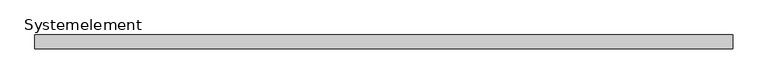
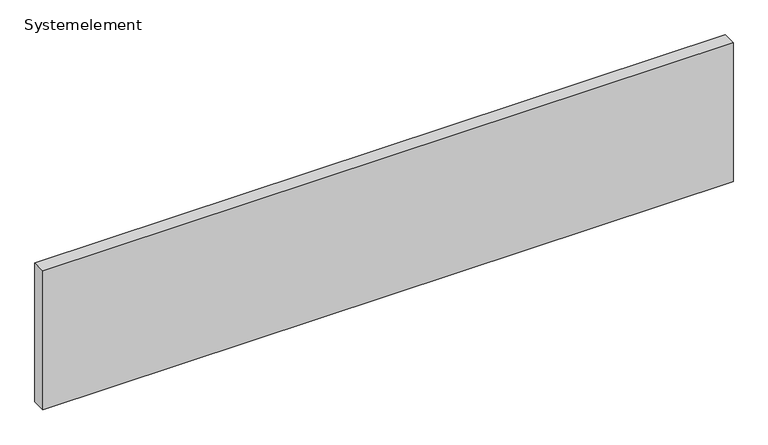
"""IFC4 building model written with IfcOpenShell, lengths in millimetres: plate geometry, Systemelement."""

from ifc_helpers import new_model, si_unit, origin, origin_with_axes, place, context, project, spatial, polyline, outline, extrude, source, transform, mapped, element, save


def systemelement_c94723dd(model_context):
    return source(origin(), model_context, "Body", "SweptSolid", [
        extrude(outline(polyline([(2000.0, -80.0), (-2000.0, -80.0), (-2000.0, 0.0), (2000.0, 0.0), (2000.0, -80.0)])), origin_with_axes(), (0.0, 0.0, 1.0), 851.6147161),
    ])


if __name__ == "__main__":
    model = new_model("IFC4")
    model_context = context("Model", 3, world=origin())
    ifc_project = project(units=[si_unit("LENGTHUNIT", "METRE", prefix="MILLI")], contexts=[model_context])
    site = spatial("IfcSite", under=ifc_project)
    building = spatial("IfcBuilding", under=site)
    placement = place(None, origin())
    systemelement_shape = systemelement_c94723dd(model_context)
    element("IfcPlate", 1, ObjectType="Systemelement", at=placement, inside=building, context=model_context, shape_type="MappedRepresentation", body=[
        mapped(systemelement_shape, transform((0.0, 0.0, 0.0), x_axis=(1.0, 0.0, 0.0), y_axis=(0.0, 1.0, 0.0), z_axis=(0.0, 0.0, 1.0))),
    ])
    save(model, "model.ifc")
